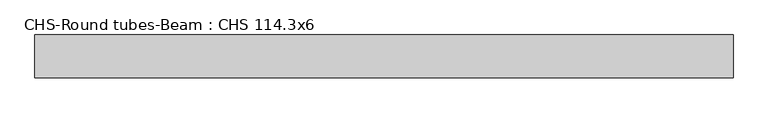
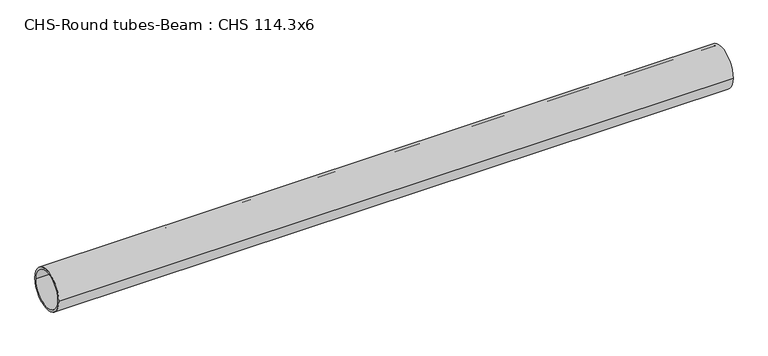
"""IFC4 building model written with IfcOpenShell, lengths in millimetres: beam geometry, CHS-Round tubes-Beam : CHS 114.3x6."""

from ifc_helpers import new_model, si_unit, point, frame, origin, origin_2d, place, context, project, spatial, circle_curve, trimmed, segment, composite_curve, outline, extrude, source, transform, mapped, element, save


def chs_round_tubes_beam_chs_114_3x6_6a819a96(model_context):
    return source(origin(), model_context, "Body", "SweptSolid", [
        extrude(outline(composite_curve([segment(trimmed(circle_curve(origin_2d(), 57.15), [point((57.15, 0.0))], [point((-57.15, 0.0))], False, "CARTESIAN"), True, "CONTINUOUS"), segment(trimmed(circle_curve(origin_2d(), 57.15), [point((-57.15, 0.0))], [point((57.15, 0.0))], False, "CARTESIAN"), True, "CONTINUOUS")], self_intersect=False), holes=[composite_curve([segment(trimmed(circle_curve(origin_2d(), 51.15), [point((51.15, 0.0))], [point((-51.15, 0.0))], True, "CARTESIAN"), True, "CONTINUOUS"), segment(trimmed(circle_curve(origin_2d(), 51.15), [point((-51.15, 0.0))], [point((51.15, 0.0))], True, "CARTESIAN"), True, "CONTINUOUS")], self_intersect=False)]), frame((-934.9789883, 0.0, 0.0), z_axis=(1.0, 0.0, 0.0), x_axis=(0.0, 1.0, 0.0)), (0.0, 0.0, 1.0), 1869.3130674),
    ])


if __name__ == "__main__":
    model = new_model("IFC4")
    model_context = context("Model", 3, world=origin())
    ifc_project = project(units=[si_unit("LENGTHUNIT", "METRE", prefix="MILLI")], contexts=[model_context])
    site = spatial("IfcSite", under=ifc_project)
    building = spatial("IfcBuilding", under=site)
    placement = place(None, origin())
    chs_round_tubes_beam_chs_114_3x6_shape = chs_round_tubes_beam_chs_114_3x6_6a819a96(model_context)
    element("IfcBeam", 1, ObjectType="CHS-Round tubes-Beam : CHS 114.3x6", at=placement, inside=building, context=model_context, shape_type="MappedRepresentation", body=[
        mapped(chs_round_tubes_beam_chs_114_3x6_shape, transform((0.0, 0.0, 0.0), x_axis=(1.0, 0.0, 0.0), y_axis=(0.0, 1.0, 0.0), z_axis=(0.0, 0.0, 1.0))),
    ])
    save(model, "model.ifc")
